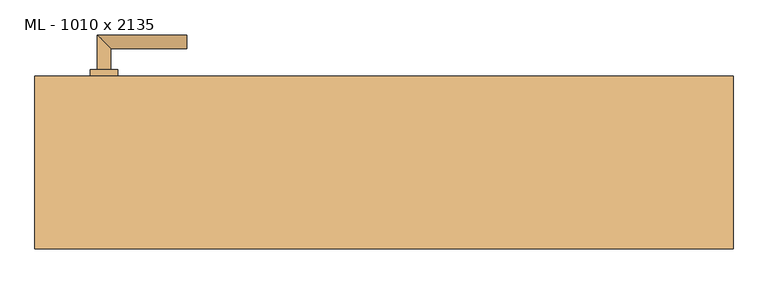
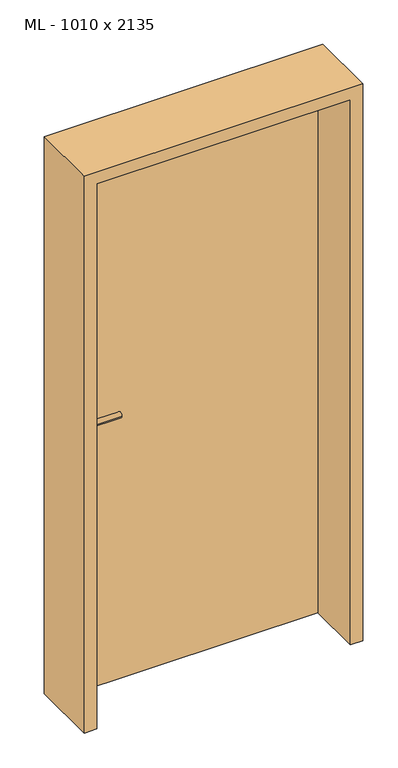
"""IFC4 building model written with IfcOpenShell, lengths in millimetres: door geometry, ML - 1010 x 2135."""

import ifcopenshell
import ifcopenshell.guid

model = None  # the IFC model being written
_history = None  # IfcOwnerHistory: only IFC2X3 demands one
_inside = {}  # id of a spatial element -> (the spatial element, [elements in it])
_under = {}  # id of a project, library or spatial element -> (it, [spatial elements below it])
_declared = {}  # id of a project -> (the project, [libraries it declares])
_typed = {}  # id of a type object -> (the type object, [elements of that type])
_made_of = {}  # id of a material, layer set ... -> (it, [elements and type objects made of it])


def new_model(schema):
    """Start an empty IFC model of exactly this schema.

    Asked for "IFC4X3", IfcOpenShell would pick the latest addendum, in which some entities
    have other attributes; the version numbers below select the first issue.
    IFC2X3 requires an IfcOwnerHistory on every rooted entity: one is made here for all.
    """
    global model, _history
    if schema == "IFC4X3":
        model = ifcopenshell.file(schema_version=(4, 3, 0, 0))
    else:
        model = ifcopenshell.file(schema=schema)
    _inside.clear()
    _under.clear()
    _declared.clear()
    _typed.clear()
    _made_of.clear()
    _history = None
    if model.schema == "IFC2X3":
        org = make("IfcOrganization", Name="unknown")
        user = make(
            "IfcPersonAndOrganization",
            ThePerson=make("IfcPerson", FamilyName="unknown"),
            TheOrganization=org,
        )
        app = make(
            "IfcApplication",
            ApplicationDeveloper=org,
            Version="unknown",
            ApplicationFullName="unknown",
            ApplicationIdentifier="unknown",
        )
        _history = make(
            "IfcOwnerHistory",
            OwningUser=user,
            OwningApplication=app,
            ChangeAction="ADDED",
            CreationDate=0,
        )
    return model


def make(cls, **values):
    """One entity of the class cls with the attributes given. An attribute that is None is left unset."""
    return model.create_entity(
        cls, **{name: value for name, value in values.items() if value is not None}
    )


def rooted(cls, **values):
    """An entity with a GlobalId (a new one), such as an element, a storey or a relation."""
    return make(cls, GlobalId=ifcopenshell.guid.new(), OwnerHistory=_history, **values)


def si_unit(unit_type, name, prefix=None):
    """IfcSIUnit, for example si_unit("LENGTHUNIT", "METRE", prefix="MILLI")."""
    return make("IfcSIUnit", UnitType=unit_type, Prefix=prefix, Name=name)


def assignment(units):
    """IfcUnitAssignment: the units of a project."""
    return None if units is None else make("IfcUnitAssignment", Units=units)


def point(xyz):
    """IfcCartesianPoint."""
    return None if xyz is None else make("IfcCartesianPoint", Coordinates=xyz)


def direction(xyz):
    """IfcDirection."""
    return None if xyz is None else make("IfcDirection", DirectionRatios=xyz)


def frame(location, z_axis=None, x_axis=None):
    """IfcAxis2Placement3D, a coordinate frame: its origin and axes. An axis left out is left unset."""
    return make(
        "IfcAxis2Placement3D",
        Location=point(location),
        Axis=direction(z_axis),
        RefDirection=direction(x_axis),
    )


def frame_2d(location, x_axis=None):
    """IfcAxis2Placement2D, a coordinate frame in the plane: its origin and x axis."""
    return make(
        "IfcAxis2Placement2D", Location=point(location), RefDirection=direction(x_axis)
    )


def origin():
    """The frame at (0, 0, 0) with its axes left unset."""
    return frame((0.0, 0.0, 0.0))


def origin_with_axes():
    """The frame at (0, 0, 0) with the z axis (0, 0, 1) and the x axis (1, 0, 0) written out."""
    return frame((0.0, 0.0, 0.0), z_axis=(0.0, 0.0, 1.0), x_axis=(1.0, 0.0, 0.0))


def place(relative_to, where):
    """IfcLocalPlacement: puts the frame where relative to a parent placement (None: the world)."""
    return make(
        "IfcLocalPlacement", PlacementRelTo=relative_to, RelativePlacement=where
    )


def context(
    kind, dimensions, precision=None, world=None, true_north=None, identifier=None
):
    """IfcGeometricRepresentationContext, for example the 3D "Model" context."""
    return make(
        "IfcGeometricRepresentationContext",
        ContextIdentifier=identifier,
        ContextType=kind,
        CoordinateSpaceDimension=dimensions,
        Precision=precision,
        WorldCoordinateSystem=world,
        TrueNorth=true_north,
    )


def project(units=None, contexts=None):
    """IfcProject with its units and contexts."""
    return rooted(
        "IfcProject",
        Name="project",
        RepresentationContexts=contexts,
        UnitsInContext=assignment(units),
    )


def spatial(cls, under=None, at=None, **own):
    """A site, building, storey or space (cls), placed at a placement, below another one or the project."""
    s = rooted(cls, ObjectPlacement=at, **own)
    if under is not None:
        _under.setdefault(under.id(), (under, []))[1].append(s)
    return s


def polyline(points):
    """IfcPolyline through the points."""
    return make("IfcPolyline", Points=[point(p) for p in points])


def circle_curve(where, radius):
    """IfcCircle in the frame where."""
    return make("IfcCircle", Position=where, Radius=radius)


def ellipse_curve(where, semi_axis1, semi_axis2):
    """IfcEllipse in the frame where."""
    return make(
        "IfcEllipse", Position=where, SemiAxis1=semi_axis1, SemiAxis2=semi_axis2
    )


def trimmed(basis, trim1, trim2, sense, master):
    """IfcTrimmedCurve: the piece of a basis curve between two trims."""
    return make(
        "IfcTrimmedCurve",
        BasisCurve=basis,
        Trim1=trim1,
        Trim2=trim2,
        SenseAgreement=sense,
        MasterRepresentation=master,
    )


def segment(curve, same_sense, transition):
    """IfcCompositeCurveSegment."""
    return make(
        "IfcCompositeCurveSegment",
        Transition=transition,
        SameSense=same_sense,
        ParentCurve=curve,
    )


def composite_curve(segments, self_intersect=None):
    """IfcCompositeCurve: segments joined end to end."""
    return make("IfcCompositeCurve", Segments=segments, SelfIntersect=self_intersect)


def outline(outer, holes=None, kind="AREA"):
    """IfcArbitraryClosedProfileDef: a profile drawn as a closed curve; with holes, ...WithVoids."""
    if holes is None:
        return make("IfcArbitraryClosedProfileDef", ProfileType=kind, OuterCurve=outer)
    return make(
        "IfcArbitraryProfileDefWithVoids",
        ProfileType=kind,
        OuterCurve=outer,
        InnerCurves=holes,
    )


def extrude(swept, where, along, depth):
    """IfcExtrudedAreaSolid: the profile swept, set in the frame where, extruded along a direction by depth."""
    return make(
        "IfcExtrudedAreaSolid",
        SweptArea=swept,
        Position=where,
        ExtrudedDirection=direction(along),
        Depth=depth,
    )


def faces_of(points, faces, orient=None, outer=None):
    """IfcFace entities. A face is a list of loops; a loop is a list of indices into points, from 0.

    orient and outer hold one flag for each loop. By default every Orientation is true, the
    first loop of a face is its IfcFaceOuterBound and the others are IfcFaceBound.
    """
    made = []
    for i, loops in enumerate(faces):
        bounds = []
        for j, loop in enumerate(loops):
            is_outer = j == 0 if outer is None else outer[i][j]
            bounds.append(
                make(
                    "IfcFaceOuterBound" if is_outer else "IfcFaceBound",
                    Bound=make("IfcPolyLoop", Polygon=[points[k] for k in loop]),
                    Orientation=True if orient is None else orient[i][j],
                )
            )
        made.append(make("IfcFace", Bounds=bounds))
    return made


def faceted_brep(points, faces, orient=None, outer=None, voids=None):
    """IfcFacetedBrep: a solid bounded by flat faces; with voids (closed shells), ...WithVoids."""
    shared = [point(p) for p in points]
    hull = make("IfcClosedShell", CfsFaces=faces_of(shared, faces, orient, outer))
    if voids is None:
        return make("IfcFacetedBrep", Outer=hull)
    return make(
        "IfcFacetedBrepWithVoids",
        Outer=hull,
        Voids=[
            make(cls, CfsFaces=faces_of(shared, fs, o, b)) for cls, fs, o, b in voids
        ],
    )


def shape(context_of_items, identifier, shape_type, items):
    """IfcShapeRepresentation: the items that make up one representation, for example the "Body"."""
    return make(
        "IfcShapeRepresentation",
        ContextOfItems=context_of_items,
        RepresentationIdentifier=identifier,
        RepresentationType=shape_type,
        Items=items,
    )


def source(mapping_origin, context_of_items, identifier, shape_type, items):
    """IfcRepresentationMap: a shape defined once, which mapped items show again and again."""
    return make(
        "IfcRepresentationMap",
        MappingOrigin=mapping_origin,
        MappedRepresentation=shape(context_of_items, identifier, shape_type, items),
    )


def transform(
    local_origin,
    x_axis=None,
    y_axis=None,
    z_axis=None,
    scale=None,
    scale2=None,
    scale3=None,
    uniform=True,
):
    """IfcCartesianTransformationOperator3D, or its non-uniform kind. x_axis, y_axis, z_axis: its Axis1, 2, 3."""
    if uniform:
        return make(
            "IfcCartesianTransformationOperator3D",
            Axis1=direction(x_axis),
            Axis2=direction(y_axis),
            LocalOrigin=point(local_origin),
            Scale=scale,
            Axis3=direction(z_axis),
        )
    return make(
        "IfcCartesianTransformationOperator3DnonUniform",
        Axis1=direction(x_axis),
        Axis2=direction(y_axis),
        LocalOrigin=point(local_origin),
        Scale=scale,
        Axis3=direction(z_axis),
        Scale2=scale2,
        Scale3=scale3,
    )


def mapped(mapping_source, mapping_target):
    """IfcMappedItem: shows the shape of a source again, moved by a transform."""
    return make(
        "IfcMappedItem", MappingSource=mapping_source, MappingTarget=mapping_target
    )


def made_of(thing, what):
    """Note that an element or type object is made of a material, layer set ...; save() writes the relation."""
    if what is not None:
        _made_of.setdefault(what.id(), (what, []))[1].append(thing)
    return thing


def element(
    cls,
    number,
    at=None,
    inside=None,
    cuts=None,
    type_object=None,
    material=None,
    context=None,
    identifier="Body",
    shape_type=None,
    held_by="IfcProductDefinitionShape",
    body=None,
    shapes=None,
    **own,
):
    """One element of the class cls, such as IfcWall. Its Tag is "e" and its number.

    at: its placement. inside: the storey or other place that contains it. cuts: it is an
    opening in that element (IfcRelVoidsElement). A single representation is given by context,
    identifier, shape_type and body (its items); several are given by shapes. held_by: the class
    of the entity that holds the representations. save() writes the other relations.
    """
    e = rooted(cls, Tag="e%d" % number, ObjectPlacement=at, **own)
    if body is not None:
        shapes = [shape(context, identifier, shape_type, body)]
    if shapes is not None:
        e.Representation = make(held_by, Representations=shapes)
    if inside is not None:
        _inside.setdefault(inside.id(), (inside, []))[1].append(e)
    if cuts is not None:
        rooted(
            "IfcRelVoidsElement", RelatingBuildingElement=cuts, RelatedOpeningElement=e
        )
    if type_object is not None:
        _typed.setdefault(type_object.id(), (type_object, []))[1].append(e)
    return made_of(e, material)


def aggregate(whole, parts):
    """IfcRelAggregates: a whole, such as a stair, and the parts it consists of."""
    return rooted("IfcRelAggregates", RelatingObject=whole, RelatedObjects=parts)


def save(model, path):
    """Write the relations noted so far, then the file.

    IfcRelAggregates (storeys below a building ...), IfcRelContainedInSpatialStructure (elements
    in a storey), IfcRelDefinesByType, IfcRelAssociatesMaterial and IfcRelDeclares: one each for
    every whole, place, type object, material and project.
    """
    for whole, parts in _under.values():
        aggregate(whole, parts)
    for where, things in _inside.values():
        rooted(
            "IfcRelContainedInSpatialStructure",
            RelatedElements=things,
            RelatingStructure=where,
        )
    for kind, things in _typed.values():
        rooted("IfcRelDefinesByType", RelatedObjects=things, RelatingType=kind)
    for what, things in _made_of.values():
        rooted("IfcRelAssociatesMaterial", RelatedObjects=things, RelatingMaterial=what)
    for by, libraries in _declared.values():
        rooted("IfcRelDeclares", RelatingContext=by, RelatedDefinitions=libraries)
    model.write(path)


def plane_surface(at):
    """IfcPlane: the flat surface through the origin of the frame at, square to its z axis."""
    return make("IfcPlane", Position=at)


def cylinder_surface(at, radius):
    """IfcCylindricalSurface: all points at the distance radius from the z axis of the frame at."""
    return make("IfcCylindricalSurface", Position=at, Radius=radius)


def advanced_brep(points, edges, surfaces, faces):
    """IfcAdvancedBrep: a solid bounded by faces that lie on surfaces and meet in shared edges.

    An edge is (start, end): straight between two places in points (the first is 0);
    or (start, end, curve); or (start, end, curve, False) where it runs against its curve.
    A face is (place in surfaces, loops), or (place, loops, False) where it looks against
    its surface's normal. A loop lists edges by number (the first is 1), with a minus sign
    where the edge is run from its end to its start. The first loop is the outer one.
    """
    corners = [point(p) for p in points]
    vertices = [make("IfcVertexPoint", VertexGeometry=c) for c in corners]
    made = []
    for start, end, *more in edges:
        made.append(
            make(
                "IfcEdgeCurve",
                EdgeStart=vertices[start],
                EdgeEnd=vertices[end],
                EdgeGeometry=more[0] if more else make("IfcPolyline", Points=[corners[start], corners[end]]),
                SameSense=more[1] if len(more) > 1 else True,
            )
        )
    hull = []
    for where, loops, *sense in faces:
        bounds = []
        for j, loop in enumerate(loops):
            ring = [make("IfcOrientedEdge", EdgeElement=made[abs(k) - 1], Orientation=k > 0) for k in loop]
            bounds.append(
                make(
                    "IfcFaceOuterBound" if j == 0 else "IfcFaceBound",
                    Bound=make("IfcEdgeLoop", EdgeList=ring),
                    Orientation=True,
                )
            )
        hull.append(make("IfcAdvancedFace", Bounds=bounds, FaceSurface=surfaces[where], SameSense=sense[0] if sense else True))
    return make("IfcAdvancedBrep", Outer=make("IfcClosedShell", CfsFaces=hull))


def ml_1010_x_2135_71b4f167(model_context):
    return source(origin(), model_context, "Body", "SolidModel", [
        extrude(outline(polyline([(471.0, 125.0), (471.0, 80.0), (-471.0, 80.0), (-471.0, 125.0), (471.0, 125.0)])), origin_with_axes(), (0.0, 0.0, 1.0), 2101.0),
        advanced_brep(
        [(-395.0, 135.0, 1050.0), (-415.0, 135.0, 1050.0), (-395.0, 165.0, 1050.0), (-415.0, 185.0, 1050.0), (-285.0, 165.0, 1050.0), (-285.0, 185.0, 1050.0)],
        [
            (0, 1, circle_curve(frame((-405.0, 135.0, 1050.0), z_axis=(0.0, -1.0, 0.0), x_axis=(-1.0, 0.0, 0.0)), 10.0)),
            (1, 0, circle_curve(frame((-405.0, 135.0, 1050.0), z_axis=(0.0, -1.0, 0.0), x_axis=(-1.0, 0.0, 0.0)), 10.0)),
            (0, 2),
            (2, 3, ellipse_curve(frame((-405.0, 175.0, 1050.0), z_axis=(-0.7071067811865531, -0.7071067811865419, 0.0), x_axis=(0.707106781186542, -0.707106781186553, 0.0)), 14.1421356, 10.0)),
            (3, 1),
            (3, 2, ellipse_curve(frame((-405.0, 175.0, 1050.0), z_axis=(-0.7071067811865531, -0.7071067811865419, 0.0), x_axis=(0.707106781186542, -0.707106781186553, 0.0)), 14.1421356, 10.0)),
            (4, 5, circle_curve(frame((-285.0, 175.0, 1050.0), z_axis=(1.0, 0.0, 0.0), x_axis=(0.0, 1.0, 0.0)), 10.0)),
            (5, 4, circle_curve(frame((-285.0, 175.0, 1050.0), z_axis=(1.0, 0.0, 0.0), x_axis=(0.0, 1.0, 0.0)), 10.0)),
            (2, 4),
            (5, 3),
        ],
        [
            plane_surface(frame((-405.0, 135.0, 1050.0), z_axis=(0.0, -1.0, 0.0), x_axis=(0.0, 0.0, 1.0))),
            cylinder_surface(frame((-405.0, 135.0, 1050.0), z_axis=(0.0, -1.0, 0.0), x_axis=(-1.0, 0.0, 0.0)), 10.0),
            plane_surface(frame((-285.0, 175.0, 1050.0), z_axis=(1.0, 0.0, 0.0), x_axis=(0.0, 0.0, 1.0))),
            cylinder_surface(frame((-405.0, 175.0, 1050.0), z_axis=(-1.0, 0.0, 0.0), x_axis=(0.0, 1.0, 0.0)), 10.0),
        ],
        [
            (0, [[1, 2]]),
            (1, [[-1, 3, 4, 5]]),
            (1, [[-2, -5, 6, -3]]),
            (2, [[7, 8]]),
            (3, [[-4, 9, -8, 10]]),
            (3, [[-6, -10, -7, -9]]),
        ],
    ),
        extrude(outline(composite_curve([segment(trimmed(circle_curve(frame_2d((990.0, -405.0)), 20.0), [point((990.0, -425.0))], [point((990.0, -385.0))], False, "CARTESIAN"), True, "CONTINUOUS"), segment(trimmed(circle_curve(frame_2d((990.0, -405.0)), 20.0), [point((990.0, -385.0))], [point((990.0, -425.0))], False, "CARTESIAN"), True, "CONTINUOUS")], self_intersect=False), holes=[composite_curve([segment(polyline([(976.4601385, -407.397268), (988.4749012, -407.397268)]), True, "CONTINUOUS"), segment(trimmed(circle_curve(frame_2d((995.0361633, -405.0)), 6.9854888), [point((988.4749012, -407.397268))], [point((988.4749012, -402.602732))], True, "CARTESIAN"), True, "CONTINUOUS"), segment(polyline([(988.4749012, -402.602732), (976.4601385, -402.602732)]), True, "CONTINUOUS"), segment(trimmed(circle_curve(frame_2d((976.4601385, -405.0)), 2.397268), [point((976.4601385, -402.602732))], [point((976.4601385, -407.397268))], True, "CARTESIAN"), True, "CONTINUOUS")], self_intersect=False)]), frame((0.0, 125.0, 0.0), z_axis=(0.0, 1.0, 0.0), x_axis=(0.0, 0.0, 1.0)), (0.0, 0.0, 1.0), 10.0),
        advanced_brep(
        [(-395.0, 135.0, 1050.0), (-415.0, 135.0, 1050.0), (-395.0, 165.0, 1050.0), (-415.0, 185.0, 1050.0), (-285.0, 165.0, 1050.0), (-285.0, 185.0, 1050.0)],
        [
            (0, 1, circle_curve(frame((-405.0, 135.0, 1050.0), z_axis=(0.0, -1.0, 0.0), x_axis=(-1.0, 0.0, 0.0)), 10.0)),
            (1, 0, circle_curve(frame((-405.0, 135.0, 1050.0), z_axis=(0.0, -1.0, 0.0), x_axis=(-1.0, 0.0, 0.0)), 10.0)),
            (0, 2),
            (2, 3, ellipse_curve(frame((-405.0, 175.0, 1050.0), z_axis=(-0.7071067811865537, -0.7071067811865414, 0.0), x_axis=(0.7071067811865414, -0.7071067811865536, 0.0)), 14.1421356, 10.0)),
            (3, 1),
            (3, 2, ellipse_curve(frame((-405.0, 175.0, 1050.0), z_axis=(-0.7071067811865537, -0.7071067811865414, 0.0), x_axis=(0.7071067811865414, -0.7071067811865536, 0.0)), 14.1421356, 10.0)),
            (4, 5, circle_curve(frame((-285.0, 175.0, 1050.0), z_axis=(1.0, 0.0, 0.0), x_axis=(0.0, 1.0, 0.0)), 10.0)),
            (5, 4, circle_curve(frame((-285.0, 175.0, 1050.0), z_axis=(1.0, 0.0, 0.0), x_axis=(0.0, 1.0, 0.0)), 10.0)),
            (2, 4),
            (5, 3),
        ],
        [
            plane_surface(frame((-405.0, 135.0, 1050.0), z_axis=(0.0, -1.0, 0.0), x_axis=(0.0, 0.0, 1.0))),
            cylinder_surface(frame((-405.0, 135.0, 1050.0), z_axis=(0.0, -1.0, 0.0), x_axis=(-1.0, 0.0, 0.0)), 10.0),
            plane_surface(frame((-285.0, 175.0, 1050.0), z_axis=(1.0, 0.0, 0.0), x_axis=(0.0, 0.0, 1.0))),
            cylinder_surface(frame((-405.0, 175.0, 1050.0), z_axis=(-1.0, 0.0, 0.0), x_axis=(0.0, 1.0, 0.0)), 10.0),
        ],
        [
            (0, [[1, 2]]),
            (1, [[-1, 3, 4, 5]]),
            (1, [[-2, -5, 6, -3]]),
            (2, [[7, 8]]),
            (3, [[-4, 9, -8, 10]]),
            (3, [[-6, -10, -7, -9]]),
        ],
    ),
        extrude(outline(composite_curve([segment(trimmed(circle_curve(frame_2d((1050.0, -405.0)), 20.0), [point((1050.0, -425.0))], [point((1050.0, -385.0))], False, "CARTESIAN"), True, "CONTINUOUS"), segment(trimmed(circle_curve(frame_2d((1050.0, -405.0)), 20.0), [point((1050.0, -385.0))], [point((1050.0, -425.0))], False, "CARTESIAN"), True, "CONTINUOUS")], self_intersect=False)), frame((0.0, 125.0, 0.0), z_axis=(0.0, 1.0, 0.0), x_axis=(0.0, 0.0, 1.0)), (0.0, 0.0, 1.0), 10.0),
        advanced_brep(
        [(-395.0, 70.0, 1050.0), (-415.0, 70.0, 1050.0), (-415.0, 20.0, 1050.0), (-395.0, 40.0, 1050.0), (-285.0, 40.0, 1050.0), (-285.0, 20.0, 1050.0)],
        [
            (0, 1, circle_curve(frame((-405.0, 70.0, 1050.0), z_axis=(0.0, 1.0, 0.0), x_axis=(-1.0, 0.0, 0.0)), 10.0)),
            (1, 0, circle_curve(frame((-405.0, 70.0, 1050.0), z_axis=(0.0, 1.0, 0.0), x_axis=(-1.0, 0.0, 0.0)), 10.0)),
            (1, 2),
            (2, 3, ellipse_curve(frame((-405.0, 30.0, 1050.0), z_axis=(-0.7071067811865486, 0.7071067811865464, 0.0), x_axis=(0.7071067811865464, 0.7071067811865488, 0.0)), 14.1421356, 10.0)),
            (3, 0),
            (3, 2, ellipse_curve(frame((-405.0, 30.0, 1050.0), z_axis=(-0.7071067811865486, 0.7071067811865464, 0.0), x_axis=(0.7071067811865464, 0.7071067811865488, 0.0)), 14.1421356, 10.0)),
            (4, 5, circle_curve(frame((-285.0, 30.0, 1050.0), z_axis=(1.0, 0.0, 0.0), x_axis=(0.0, -1.0, 0.0)), 10.0)),
            (5, 4, circle_curve(frame((-285.0, 30.0, 1050.0), z_axis=(1.0, 0.0, 0.0), x_axis=(0.0, -1.0, 0.0)), 10.0)),
            (2, 5),
            (4, 3),
        ],
        [
            plane_surface(frame((-405.0, 70.0, 1050.0), z_axis=(0.0, 1.0, 0.0), x_axis=(0.0, 0.0, 1.0))),
            cylinder_surface(frame((-405.0, 70.0, 1050.0), z_axis=(0.0, 1.0, 0.0), x_axis=(-1.0, 0.0, 0.0)), 10.0),
            plane_surface(frame((-285.0, 30.0, 1050.0), z_axis=(1.0, 0.0, 0.0), x_axis=(0.0, 0.0, 1.0))),
            cylinder_surface(frame((-405.0, 30.0, 1050.0), z_axis=(-1.0, 0.0, 0.0), x_axis=(0.0, -1.0, 0.0)), 10.0),
        ],
        [
            (0, [[1, 2]]),
            (1, [[3, 4, 5, -2]]),
            (1, [[-5, 6, -3, -1]]),
            (2, [[7, 8]]),
            (3, [[9, -7, 10, -4]]),
            (3, [[-10, -8, -9, -6]]),
        ],
    ),
        extrude(outline(composite_curve([segment(trimmed(circle_curve(frame_2d((990.0, -405.0)), 20.0), [point((990.0, -425.0))], [point((990.0, -385.0))], False, "CARTESIAN"), True, "CONTINUOUS"), segment(trimmed(circle_curve(frame_2d((990.0, -405.0)), 20.0), [point((990.0, -385.0))], [point((990.0, -425.0))], False, "CARTESIAN"), True, "CONTINUOUS")], self_intersect=False), holes=[composite_curve([segment(polyline([(976.4601385, -407.397268), (988.4749012, -407.397268)]), True, "CONTINUOUS"), segment(trimmed(circle_curve(frame_2d((995.0361633, -405.0)), 6.9854888), [point((988.4749012, -407.397268))], [point((988.4749012, -402.602732))], True, "CARTESIAN"), True, "CONTINUOUS"), segment(polyline([(988.4749012, -402.602732), (976.4601385, -402.602732)]), True, "CONTINUOUS"), segment(trimmed(circle_curve(frame_2d((976.4601385, -405.0)), 2.397268), [point((976.4601385, -402.602732))], [point((976.4601385, -407.397268))], True, "CARTESIAN"), True, "CONTINUOUS")], self_intersect=False)]), frame((0.0, 70.0, 0.0), z_axis=(0.0, 1.0, 0.0), x_axis=(0.0, 0.0, 1.0)), (0.0, 0.0, 1.0), 10.0),
        advanced_brep(
        [(-395.0, 70.0, 1050.0), (-415.0, 70.0, 1050.0), (-415.0, 20.0, 1050.0), (-395.0, 40.0, 1050.0), (-285.0, 40.0, 1050.0), (-285.0, 20.0, 1050.0)],
        [
            (0, 1, circle_curve(frame((-405.0, 70.0, 1050.0), z_axis=(0.0, 1.0, 0.0), x_axis=(-1.0, 0.0, 0.0)), 10.0)),
            (1, 0, circle_curve(frame((-405.0, 70.0, 1050.0), z_axis=(0.0, 1.0, 0.0), x_axis=(-1.0, 0.0, 0.0)), 10.0)),
            (1, 2),
            (2, 3, ellipse_curve(frame((-405.0, 30.0, 1050.0), z_axis=(-0.7071067811865491, 0.7071067811865459, 0.0), x_axis=(0.7071067811865458, 0.7071067811865492, 0.0)), 14.1421356, 10.0)),
            (3, 0),
            (3, 2, ellipse_curve(frame((-405.0, 30.0, 1050.0), z_axis=(-0.7071067811865491, 0.7071067811865459, 0.0), x_axis=(0.7071067811865458, 0.7071067811865492, 0.0)), 14.1421356, 10.0)),
            (4, 5, circle_curve(frame((-285.0, 30.0, 1050.0), z_axis=(1.0, 0.0, 0.0), x_axis=(0.0, -1.0, 0.0)), 10.0)),
            (5, 4, circle_curve(frame((-285.0, 30.0, 1050.0), z_axis=(1.0, 0.0, 0.0), x_axis=(0.0, -1.0, 0.0)), 10.0)),
            (2, 5),
            (4, 3),
        ],
        [
            plane_surface(frame((-405.0, 70.0, 1050.0), z_axis=(0.0, 1.0, 0.0), x_axis=(0.0, 0.0, 1.0))),
            cylinder_surface(frame((-405.0, 70.0, 1050.0), z_axis=(0.0, 1.0, 0.0), x_axis=(-1.0, 0.0, 0.0)), 10.0),
            plane_surface(frame((-285.0, 30.0, 1050.0), z_axis=(1.0, 0.0, 0.0), x_axis=(0.0, 0.0, 1.0))),
            cylinder_surface(frame((-405.0, 30.0, 1050.0), z_axis=(-1.0, 0.0, 0.0), x_axis=(0.0, -1.0, 0.0)), 10.0),
        ],
        [
            (0, [[1, 2]]),
            (1, [[3, 4, 5, -2]]),
            (1, [[-5, 6, -3, -1]]),
            (2, [[7, 8]]),
            (3, [[9, -7, 10, -4]]),
            (3, [[-10, -8, -9, -6]]),
        ],
    ),
        extrude(outline(composite_curve([segment(trimmed(circle_curve(frame_2d((1050.0, -405.0)), 20.0), [point((1050.0, -425.0))], [point((1050.0, -385.0))], False, "CARTESIAN"), True, "CONTINUOUS"), segment(trimmed(circle_curve(frame_2d((1050.0, -405.0)), 20.0), [point((1050.0, -385.0))], [point((1050.0, -425.0))], False, "CARTESIAN"), True, "CONTINUOUS")], self_intersect=False)), frame((0.0, 70.0, 0.0), z_axis=(0.0, 1.0, 0.0), x_axis=(0.0, 0.0, 1.0)), (0.0, 0.0, 1.0), 10.0),
        faceted_brep([(-475.0, 125.0, 0.0), (-475.0, 80.0, 0.0), (-460.0, 80.0, 0.0), (-460.0, -125.0, 0.0), (-505.0, -125.0, 0.0), (-505.0, 125.0, 0.0), (-475.0, 125.0, 2105.0), (-475.0, 80.0, 2105.0), (475.0, 80.0, 2105.0), (475.0, 80.0, 0.0), (460.0, 80.0, 0.0), (460.0, 80.0, 2090.0), (-460.0, 80.0, 2090.0), (-460.0, -125.0, 2090.0), (460.0, -125.0, 2090.0), (460.0, -125.0, 0.0), (505.0, -125.0, 0.0), (505.0, -125.0, 2135.0), (-505.0, -125.0, 2135.0), (-505.0, 125.0, 2135.0), (505.0, 125.0, 2135.0), (505.0, 125.0, 0.0), (475.0, 125.0, 0.0), (475.0, 125.0, 2105.0)], [[[0, 1, 2, 3, 4, 5]], [[1, 0, 6, 7]], [[2, 1, 7, 8, 9, 10, 11, 12]], [[3, 2, 12, 13]], [[4, 3, 13, 14, 15, 16, 17, 18]], [[5, 4, 18, 19]], [[0, 5, 19, 20, 21, 22, 23, 6]], [[20, 17, 16, 21]], [[22, 21, 16, 15, 10, 9]], [[8, 23, 22, 9]], [[14, 11, 10, 15]], [[19, 18, 17, 20]], [[13, 12, 11, 14]], [[7, 6, 23, 8]]]),
    ])


if __name__ == "__main__":
    model = new_model("IFC4")
    model_context = context("Model", 3, world=origin())
    ifc_project = project(units=[si_unit("LENGTHUNIT", "METRE", prefix="MILLI")], contexts=[model_context])
    site = spatial("IfcSite", under=ifc_project)
    building = spatial("IfcBuilding", under=site)
    placement = place(None, origin())
    ml_1010_x_2135_shape = ml_1010_x_2135_71b4f167(model_context)
    element("IfcDoor", 1, ObjectType="ML - 1010 x 2135", at=placement, inside=building, context=model_context, shape_type="MappedRepresentation", body=[
        mapped(ml_1010_x_2135_shape, transform((0.0, 0.0, 0.0), x_axis=(1.0, 0.0, 0.0), y_axis=(0.0, 1.0, 0.0), z_axis=(0.0, 0.0, 1.0))),
    ])
    save(model, "model.ifc")
